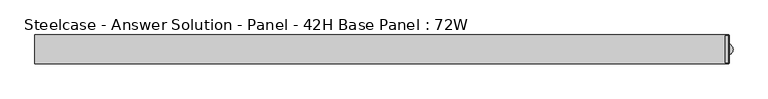
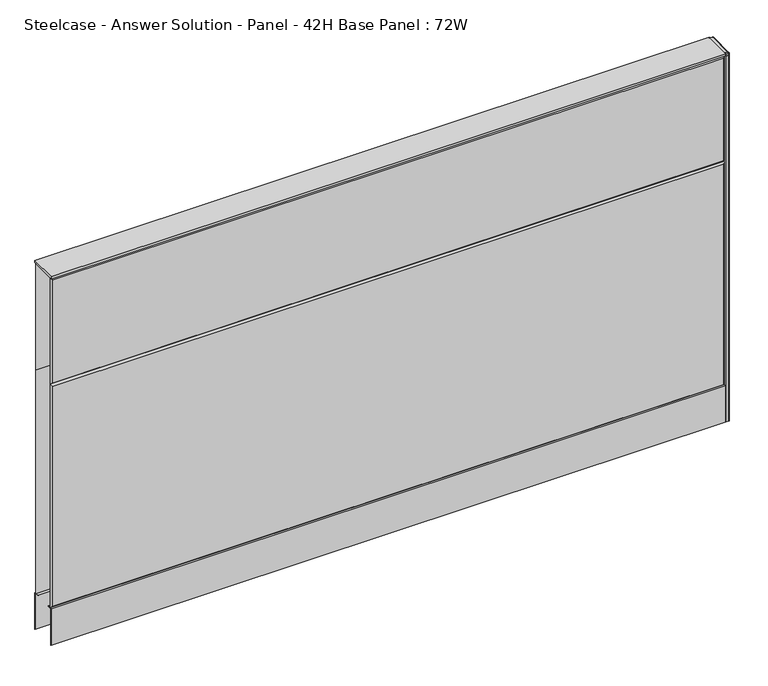
"""IFC4 building model written with IfcOpenShell, lengths in millimetres: furniture geometry, Steelcase - Answer Solution - Panel - 42H Base Panel : 72W."""

from ifc_helpers import new_model, si_unit, point, frame, frame_2d, origin, place, context, project, spatial, polyline, circle_curve, trimmed, segment, composite_curve, outline, extrude, faceted_brep, source, transform, mapped, element, save
from ifc_brep_helpers import plane_surface, spline_surface, advanced_brep


def steelcase_answer_solution_panel_42h_base_panel_72w_20683370(model_context):
    return source(origin(), model_context, "Body", "SolidModel", [
        extrude(outline(composite_curve([segment(trimmed(circle_curve(frame_2d((919.48, 0.0039657)), 5.08), [point((924.56, 0.0039657))], [point((914.4, 0.0039657))], False, "CARTESIAN"), True, "CONTINUOUS"), segment(trimmed(circle_curve(frame_2d((919.48, 0.0039657)), 5.08), [point((914.4, 0.0039657))], [point((924.56, 0.0039657))], False, "CARTESIAN"), True, "CONTINUOUS")], self_intersect=False)), frame((0.0, 0.0, 5.0799671), z_axis=(0.0, 0.0, 1.0), x_axis=(1.0, 0.0, 0.0)), (0.0, 0.0, 1.0), 10.414),
        extrude(outline(composite_curve([segment(trimmed(circle_curve(frame_2d((919.48, 0.0039657)), 15.24), [point((934.72, 0.0039657))], [point((904.24, 0.0039657))], False, "CARTESIAN"), True, "CONTINUOUS"), segment(trimmed(circle_curve(frame_2d((919.48, 0.0039657)), 15.24), [point((904.24, 0.0039657))], [point((934.72, 0.0039657))], False, "CARTESIAN"), True, "CONTINUOUS")], self_intersect=False)), frame((0.0, 0.0, -3.29e-05), z_axis=(0.0, 0.0, 1.0), x_axis=(1.0, 0.0, 0.0)), (0.0, 0.0, 1.0), 5.08),
        advanced_brep(
        [(921.7406, -35.2766149, 1073.1499671), (921.7406, 35.2845851, 1073.1499671), (914.4, 35.2845851, 1073.1499671), (914.4, -35.2766149, 1073.1499671), (922.6151197, -38.0960149, 1071.2704), (924.56, -36.1511346, 1071.2704), (924.56, 36.2122548, 1071.2704), (922.6682696, 38.1039851, 1071.2704), (914.4, 38.1039851, 1071.2704), (914.4, -38.0960149, 1071.2704)],
        [
            (0, 1),
            (1, 2),
            (2, 3),
            (3, 0),
            (4, 5, circle_curve(frame((922.6151197, -36.1511346, 1071.2704), z_axis=(0.0, 0.0, 1.0), x_axis=(0.0, 1.0, 0.0)), 1.9448803)),
            (5, 0),
            (0, 4),
            (5, 6),
            (6, 1),
            (6, 7, circle_curve(frame((922.6682696, 36.2122548, 1071.2704), z_axis=(0.0, 0.0, 1.0), x_axis=(0.0, 1.0, 0.0)), 1.8917304)),
            (7, 1),
            (7, 8),
            (8, 2),
            (8, 9),
            (9, 3),
            (9, 4),
        ],
        [
            plane_surface(frame((918.0703, 0.0039851, 1073.1499671), z_axis=(0.0, 0.0, 1.0), x_axis=(0.0, 1.0, 0.0))),
            spline_surface(2, 1, [[(922.6151197, -38.0960149, 1071.2704), (921.7406, -35.2766149, 1073.1499671)], [(924.5600000000001, -38.09601490000009, 1071.2704), (921.7406, -35.2766149, 1073.1499671)], [(924.56, -36.1511346, 1071.2704), (921.7406, -35.2766149, 1073.1499671)]], [3, 3], [2, 2], [0.0, 1.0], [0.0, 1.0], weights=[[1.0, 1.0], [0.7071067811865307, 0.7071067811865307], [1.0, 1.0]]),
            plane_surface(frame((924.56, 0.0305601, 1071.2704), z_axis=(0.554693465401931, 0.0, 0.832054781514052), x_axis=(0.0, 1.0, 0.0))),
            spline_surface(2, 1, [[(924.56, 36.2122548, 1071.2704), (921.7406, 35.2845851, 1073.1499671)], [(924.5600000999999, 38.10398519999991, 1071.2704), (921.7406, 35.2845851, 1073.1499671)], [(922.6682696, 38.1039851, 1071.2704), (921.7406, 35.2845851, 1073.1499671)]], [3, 3], [2, 2], [0.0, 1.0], [0.0, 1.0], weights=[[1.0, 1.0], [0.7071067624971474, 0.7071067624971474], [1.0, 1.0]]),
            plane_surface(frame((918.5341348, 38.1039851, 1071.2704), z_axis=(0.0, 0.5546934654026133, 0.8320547815135972), x_axis=(-1.0, 0.0, 0.0))),
            plane_surface(frame((914.4, 0.0039851, 1071.2704), z_axis=(-1.0, 0.0, 0.0), x_axis=(0.0, -1.0, 0.0))),
            plane_surface(frame((918.5075599, -38.0960149, 1071.2704), z_axis=(0.0, -0.5546934654017167, 0.8320547815141949), x_axis=(1.0, 0.0, 0.0))),
            plane_surface(frame((920.5338982, 0.0128434, 1071.2704), z_axis=(0.0, 0.0, -1.0), x_axis=(0.0, 1.0, 0.0))),
        ],
        [
            (0, [[1, 2, 3, 4]]),
            (1, [[5, 6, 7]]),
            (2, [[8, 9, -1, -6]]),
            (3, [[10, 11, -9]]),
            (4, [[12, 13, -2, -11]]),
            (5, [[14, 15, -3, -13]]),
            (6, [[16, -7, -4, -15]]),
            (7, [[-16, -14, -12, -10, -8, -5]]),
        ],
    ),
        extrude(outline(composite_curve([segment(polyline([(924.56, 36.2122548), (924.56, -36.1511346)]), True, "CONTINUOUS"), segment(trimmed(circle_curve(frame_2d((922.6151197, -36.1511346)), 1.9448803), [point((924.56, -36.1511346))], [point((922.6151197, -38.0960149))], False, "CARTESIAN"), True, "CONTINUOUS"), segment(polyline([(922.6151197, -38.0960149), (914.4, -38.0960149), (914.4, 38.1039851), (922.6682696, 38.1039851)]), True, "CONTINUOUS"), segment(trimmed(circle_curve(frame_2d((922.6682696, 36.2122548)), 1.8917304), [point((922.6682696, 38.1039851))], [point((924.56, 36.2122548))], False, "CARTESIAN"), True, "CONTINUOUS")], self_intersect=False)), frame((0.0, 0.0, 1065.8348), z_axis=(0.0, 0.0, 1.0), x_axis=(1.0, 0.0, 0.0)), (0.0, 0.0, 1.0), 5.4356),
        extrude(outline(composite_curve([segment(polyline([(924.56, 36.2318909), (924.56, -36.15537)]), True, "CONTINUOUS"), segment(trimmed(circle_curve(frame_2d((922.6193552, -36.15537)), 1.9406448), [point((924.56, -36.15537))], [point((922.6193552, -38.0960149))], False, "CARTESIAN"), True, "CONTINUOUS"), segment(polyline([(922.6193552, -38.0960149), (914.4, -38.0960149), (914.4, 38.1039851), (922.6879058, 38.1039851)]), True, "CONTINUOUS"), segment(trimmed(circle_curve(frame_2d((922.6879058, 36.2318909)), 1.8720942), [point((922.6879058, 38.1039851))], [point((924.56, 36.2318909))], False, "CARTESIAN"), True, "CONTINUOUS")], self_intersect=False)), frame((0.0, 0.0, 15.4939671), z_axis=(0.0, 0.0, 1.0), x_axis=(1.0, 0.0, 0.0)), (0.0, 0.0, 1.0), 1050.3408329),
        faceted_brep([(-909.574, 38.1635011, 1061.974), (909.574, 38.1635011, 1061.974), (909.574, 38.1635011, 766.826), (-909.574, 38.1635011, 766.826), (-914.4, 33.3375011, 1066.8), (-914.4, 33.3375011, 762.0), (914.4, 33.3375011, 762.0), (914.4, 33.3375011, 1066.8)], [[[0, 1, 2, 3]], [[4, 5, 6, 7]], [[4, 7, 1, 0]], [[7, 6, 2, 1]], [[6, 5, 3, 2]], [[5, 4, 0, 3]]]),
        faceted_brep([(-909.574, 38.1635011, 757.174), (909.574, 38.1635011, 757.174), (909.574, 38.1635011, 125.476), (-909.574, 38.1635011, 125.476), (-914.4, 33.3375011, 762.0), (-914.4, 33.3375011, 120.65), (914.4, 33.3375011, 120.65), (914.4, 33.3375011, 762.0)], [[[0, 1, 2, 3]], [[4, 5, 6, 7]], [[4, 7, 1, 0]], [[7, 6, 2, 1]], [[6, 5, 3, 2]], [[5, 4, 0, 3]]]),
        faceted_brep([(909.574, -38.1635011, 1061.974), (-909.574, -38.1635011, 1061.974), (-909.574, -38.1635011, 766.826), (909.574, -38.1635011, 766.826), (914.4, -33.3375011, 1066.8), (914.4, -33.3375011, 762.0), (-914.4, -33.3375011, 762.0), (-914.4, -33.3375011, 1066.8)], [[[0, 1, 2, 3]], [[4, 5, 6, 7]], [[4, 7, 1, 0]], [[7, 6, 2, 1]], [[6, 5, 3, 2]], [[5, 4, 0, 3]]]),
        faceted_brep([(909.574, -38.1635011, 757.174), (-909.574, -38.1635011, 757.174), (-909.574, -38.1635011, 125.476), (909.574, -38.1635011, 125.476), (914.4, -33.3375011, 762.0), (914.4, -33.3375011, 120.65), (-914.4, -33.3375011, 120.65), (-914.4, -33.3375011, 762.0)], [[[0, 1, 2, 3]], [[4, 5, 6, 7]], [[4, 7, 1, 0]], [[7, 6, 2, 1]], [[6, 5, 3, 2]], [[5, 4, 0, 3]]]),
        extrude(outline(polyline([(914.4, 38.1000194), (914.4, -38.1000194), (-914.4, -38.1000194), (-914.4, 38.1000194), (914.4, 38.1000194)])), frame((0.0, 0.0, 1066.8), z_axis=(0.0, 0.0, 1.0), x_axis=(1.0, 0.0, 0.0)), (0.0, 0.0, 1.0), 6.35),
        extrude(outline(polyline([(25.4000011, 119.8575157), (25.4000011, 120.65), (38.1000194, 120.65), (38.1000194, 15.494), (37.3075215, 15.494), (37.3075215, 119.8575157), (25.4000011, 119.8575157)])), frame((-914.4, 0.0, 0.0), z_axis=(1.0, 0.0, 0.0), x_axis=(0.0, 1.0, 0.0)), (0.0, 0.0, 1.0), 1828.8),
        extrude(outline(polyline([(-25.4000011, 119.8575157), (-37.3075215, 119.8575157), (-37.3075215, 15.494), (-38.1000194, 15.494), (-38.1000194, 120.65), (-25.4000011, 120.65), (-25.4000011, 119.8575157)])), frame((-914.4, 0.0, 0.0), z_axis=(1.0, 0.0, 0.0), x_axis=(0.0, 1.0, 0.0)), (0.0, 0.0, 1.0), 1828.8),
    ])


if __name__ == "__main__":
    model = new_model("IFC4")
    model_context = context("Model", 3, world=origin())
    ifc_project = project(units=[si_unit("LENGTHUNIT", "METRE", prefix="MILLI")], contexts=[model_context])
    site = spatial("IfcSite", under=ifc_project)
    building = spatial("IfcBuilding", under=site)
    placement = place(None, origin())
    steelcase_answer_solution_panel_42h_base_panel_72w_shape = steelcase_answer_solution_panel_42h_base_panel_72w_20683370(model_context)
    element("IfcFurniture", 1, ObjectType="Steelcase - Answer Solution - Panel - 42H Base Panel : 72W", at=placement, inside=building, context=model_context, shape_type="MappedRepresentation", body=[
        mapped(steelcase_answer_solution_panel_42h_base_panel_72w_shape, transform((0.0, 0.0, 0.0), x_axis=(1.0, 0.0, 0.0), y_axis=(0.0, 1.0, 0.0), z_axis=(0.0, 0.0, 1.0))),
    ])
    save(model, "model.ifc")
